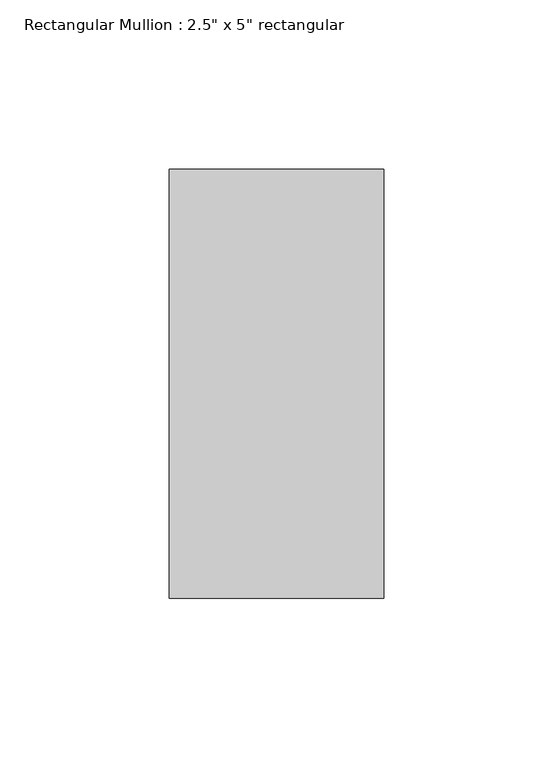
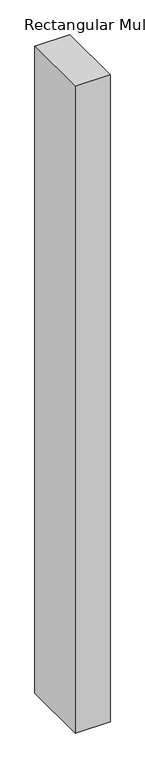
"""IFC4 building model written with IfcOpenShell, lengths in millimetres: member geometry."""

from ifc_helpers import new_model, si_unit, frame, origin, place, context, project, spatial, polyline, outline, extrude, source, transform, mapped, element, save


def member_be4676d7(model_context):
    return source(origin(), model_context, "Body", "SweptSolid", [
        extrude(outline(polyline([(0.0, 63.5), (0.0, -63.5), (-63.5, -63.5), (-63.5, 63.5), (0.0, 63.5)])), frame((0.0, 0.0, -1245.6953034), z_axis=(0.0, 0.0, 1.0), x_axis=(1.0, 0.0, 0.0)), (0.0, 0.0, 1.0), 1245.6953034),
    ])


if __name__ == "__main__":
    model = new_model("IFC4")
    model_context = context("Model", 3, world=origin())
    ifc_project = project(units=[si_unit("LENGTHUNIT", "METRE", prefix="MILLI")], contexts=[model_context])
    site = spatial("IfcSite", under=ifc_project)
    building = spatial("IfcBuilding", under=site)
    placement = place(None, origin())
    member_shape = member_be4676d7(model_context)
    element("IfcMember", 1, ObjectType="Rectangular Mullion : 2.5\" x 5\" rectangular", at=placement, inside=building, context=model_context, shape_type="MappedRepresentation", body=[
        mapped(member_shape, transform((0.0, 0.0, 0.0), x_axis=(1.0, 0.0, 0.0), y_axis=(0.0, 1.0, 0.0), z_axis=(0.0, 0.0, 1.0))),
    ])
    save(model, "model.ifc")
